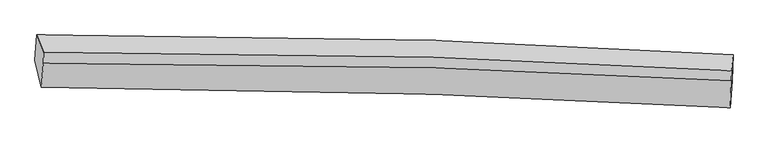
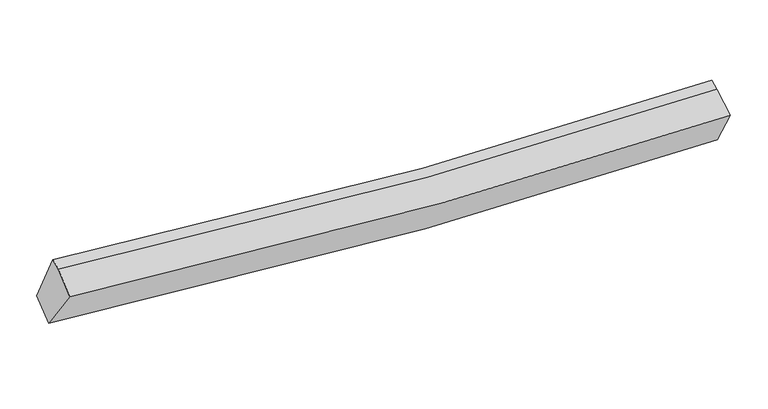
"""IFC4 building model written with IfcOpenShell, lengths in millimetres: proxy geometry."""

from ifc_helpers import new_model, si_unit, frame, origin, place, context, project, spatial, source, transform, mapped, element, save
from ifc_brep_helpers import plane_surface, spline_curve, spline_surface, advanced_brep


def generic_models_0087042e(model_context):
    return source(origin(), model_context, "Body", "AdvancedBrep", [
        advanced_brep(
        [(-4487.4021431, -1946.4193364, 2876.2268624), (-4463.1066955, -1606.9289682, 3072.7655929), (4889.5693611, -1871.4835949, 2726.6021447), (4876.8346888, -2220.6010007, 2525.9682054), (-4400.0458465, -2311.9948011, 3466.7549794), (4850.5303732, -2584.1501435, 3123.5802064), (-4374.2063694, -1988.8019715, 3673.0111605), (4864.2645394, -2225.1665182, 3290.3335131), (-4368.3675403, -1842.8815857, 3724.9548712), (4869.7266698, -2088.6603509, 3338.9260167)],
        [
            (0, 1),
            (1, 2, spline_curve(3, [(-4463.1066955, -1606.9289682, 3072.7655929), (-2696.649654421, -1594.809157674, 2836.441250479), (-929.564073551, -1617.908505746, 2697.013846737), (2188.256507379, -1720.76825855, 2622.000383288), (3538.729611989, -1785.853786536, 2646.039970763), (4889.5693611, -1871.4835949, 2726.6021447)], [4, 2, 4], [0.0, 17.449131974980528, 30.77605261638837])),
            (2, 3),
            (3, 0, spline_curve(3, [(4876.8346888, -2220.6010007, 2525.9682054), (3525.449284027, -2144.836579498, 2469.891580092), (2173.944205525, -2084.74270647, 2459.990559781), (-947.382588493, -1982.155271463, 2543.759990752), (-2717.289787477, -1950.855256476, 2670.413896496), (-4487.4021431, -1946.4193364, 2876.2268624)], [4, 2, 4], [0.0, 13.326920641407842, 30.77605261638837])),
            (4, 0),
            (3, 5),
            (5, 4, spline_curve(3, [(4850.5303732, -2584.1501435, 3123.5802064), (3512.340838783, -2509.063848943, 3067.925268855), (2175.421757576, -2449.481108383, 3057.820557419), (-909.011139446, -2347.688398107, 3139.675405065), (-2655.61746489, -2316.552691257, 3264.171706735), (-4400.0458465, -2311.9948011, 3466.7549794)], [4, 2, 4], [0.0, 13.251083479379979, 30.600920749721787])),
            (6, 4),
            (5, 7),
            (7, 6, spline_curve(3, [(4864.2645394, -2225.1665182, 3290.3335131), (3526.119268379, -2146.182850054, 3230.304399166), (2189.981921746, -2086.627503168, 3220.188771502), (-890.942651049, -1993.961578627, 3312.094546641), (-2634.29560779, -1974.728742844, 3449.769390216), (-4374.2063694, -1988.8019715, 3673.0111605)], [4, 2, 4], [0.0, 13.164121748459387, 30.40009875352045])),
            (8, 6),
            (7, 9),
            (9, 8, spline_curve(3, [(4869.7266698, -2088.6603509, 3338.9260167), (3531.539870226, -2010.714535867, 3278.527455499), (2195.402523798, -1951.159189173, 3268.411827365), (-885.426146745, -1856.096534826, 3361.170773562), (-2628.65353684, -1833.725626356, 3499.96268626), (-4368.3675403, -1842.8815857, 3724.9548712)], [4, 2, 4], [0.0, 13.157696336476576, 30.38526045571814])),
            (1, 8),
            (9, 2),
        ],
        [
            spline_surface(3, 3, [[(-4487.4021431, -1946.4193364, 2876.2268624), (-2717.289787411, -1950.855256634, 2670.413896258), (-947.382588474, -1982.155271468, 2543.759990602), (2173.944205511, -2084.742706466, 2459.990559895), (3525.44928388, -2144.836579676, 2469.891579876), (4876.8346888, -2220.6010007, 2525.9682054)], [(-4479.303660564, -1833.255880337, 2941.739772574), (-2710.409743146, -1832.173223716, 2725.75634767), (-941.443083546, -1860.739682868, 2594.844609336), (2178.714972881, -1963.417890552, 2513.993834349), (3529.876060006, -2025.175648593, 2528.607710205), (4881.079579592, -2104.228532079, 2592.846185162)], [(-4471.205178036, -1720.092424263, 3007.252682726), (-2703.52969889, -1713.491190787, 2781.098799062), (-935.503578696, -1739.324094203, 2645.929228059), (2183.485740174, -1842.093074574, 2567.997108792), (3534.302836056, -1905.514717572, 2587.323840547), (4885.324470308, -1987.856063521, 2659.724164938)], [(-4463.1066955, -1606.9289682, 3072.7655929), (-2696.649654625, -1594.809157869, 2836.441250474), (-929.564073768, -1617.908505602, 2697.013846793), (2188.256507545, -1720.76825866, 2622.000383246), (3538.729612182, -1785.853786488, 2646.039970876), (4889.5693611, -1871.4835949, 2726.6021447)]], [4, 4], [4, 2, 4], [0.0, 1.3013624053564958], [0.0, 17.449131974980528, 30.77605261638837]),
            spline_surface(3, 3, [[(-4400.0458465, -2311.9948011, 3466.7549794), (-2655.617465156, -2316.552691486, 3264.171706828), (-909.011139642, -2347.68839829, 3139.675404806), (2175.421757726, -2449.481108243, 3057.820557616), (3512.340838825, -2509.063848848, 3067.925268668), (4850.5303732, -2584.1501435, 3123.5802064)], [(-4429.164612053, -2190.136312867, 3269.912273712), (-2676.174905928, -2194.653546536, 3066.252436616), (-921.801622585, -2225.844022669, 2941.036933417), (2174.929240322, -2327.90164097, 2858.543891721), (3516.71032051, -2387.654759124, 2868.580705734), (4859.2984784, -2462.9670959, 2924.376206064)], [(-4458.283377547, -2068.277824633, 3073.069568088), (-2696.732346639, -2072.754401584, 2868.33316647), (-934.592105532, -2103.99964709, 2742.398461992), (2174.436722914, -2206.322173739, 2659.267225791), (3521.079802196, -2266.2456694, 2669.23614281), (4868.0665836, -2341.7840483, 2725.172205736)], [(-4487.4021431, -1946.4193364, 2876.2268624), (-2717.289787411, -1950.855256634, 2670.413896258), (-947.382588474, -1982.155271468, 2543.759990602), (2173.944205511, -2084.742706466, 2459.990559895), (3525.44928388, -2144.836579676, 2469.891579876), (4876.8346888, -2220.6010007, 2525.9682054)]], [4, 4], [4, 2, 4], [0.0, 2.2963859966596925], [0.0, 17.34983727034181, 30.600920749721787]),
            spline_surface(3, 3, [[(-4374.2063694, -1988.8019715, 3673.0111605), (-2634.295607578, -1974.728742769, 3449.76939031), (-890.942651166, -1993.961578383, 3312.094546638), (2189.981921836, -2086.627503354, 3220.188771505), (3526.11926836, -2146.182849934, 3230.304399359), (4864.2645394, -2225.1665182, 3290.3335131)], [(-4382.819528416, -2096.532914699, 3604.259100161), (-2641.402893419, -2088.670059007, 3387.903495843), (-896.965480675, -2111.870518339, 3254.621499363), (2185.128533782, -2207.57870497, 3166.066033544), (3521.526458511, -2267.143182912, 3176.178022465), (4859.686483996, -2344.82772664, 3234.749077537)], [(-4391.432687484, -2204.263857901, 3535.507039739), (-2648.510179314, -2202.611375248, 3326.037601295), (-902.988310134, -2229.779458335, 3197.148452082), (2180.275145779, -2328.529906627, 3111.943295577), (3516.933648674, -2388.103515869, 3122.051645561), (4855.108428604, -2464.48893506, 3179.164641963)], [(-4400.0458465, -2311.9948011, 3466.7549794), (-2655.617465156, -2316.552691486, 3264.171706828), (-909.011139642, -2347.68839829, 3139.675404806), (2175.421757726, -2449.481108243, 3057.820557616), (3512.340838825, -2509.063848848, 3067.925268668), (4850.5303732, -2584.1501435, 3123.5802064)]], [4, 4], [4, 2, 4], [0.0, 1.2964870930502679], [0.0, 17.235977005061063, 30.40009875352045]),
            spline_surface(3, 3, [[(-4368.3675403, -1842.8815857, 3724.9548712), (-2628.65353711, -1833.725626333, 3499.96268611), (-885.426146864, -1856.096534821, 3361.170773435), (2195.402523889, -1951.159189177, 3268.411827463), (3531.539870313, -2010.714535756, 3278.527455317), (4869.7266698, -2088.6603509, 3338.9260167)], [(-4370.31381667, -1891.521714294, 3707.640300946), (-2630.534227269, -1880.726665139, 3483.231587489), (-887.264981617, -1902.051549357, 3344.812031163), (2193.595656551, -1996.315293918, 3252.337475471), (3529.733002976, -2055.870640497, 3262.453103325), (4867.905959647, -2134.162406682, 3322.728515494)], [(-4372.26009303, -1940.161842906, 3690.325730754), (-2632.414917418, -1927.727703963, 3466.500488931), (-889.103816413, -1948.006563847, 3328.453288909), (2191.788789173, -2041.471398614, 3236.263123496), (3527.926135697, -2101.026745193, 3246.37875135), (4866.085249553, -2179.664462418, 3306.531014306)], [(-4374.2063694, -1988.8019715, 3673.0111605), (-2634.295607578, -1974.728742769, 3449.76939031), (-890.942651166, -1993.961578383, 3312.094546638), (2189.981921836, -2086.627503354, 3220.188771505), (3526.11926836, -2146.182849934, 3230.304399359), (4864.2645394, -2225.1665182, 3290.3335131)]], [4, 4], [4, 2, 4], [0.0, 0.47765946216656296], [0.0, 17.227564119241563, 30.38526045571814]),
            spline_surface(3, 3, [[(-4463.1066955, -1606.9289682, 3072.7655929), (-2696.649654625, -1594.809157869, 2836.441250474), (-929.564073768, -1617.908505602, 2697.013846793), (2188.256507545, -1720.76825866, 2622.000383246), (3538.729612182, -1785.853786488, 2646.039970876), (4889.5693611, -1871.4835949, 2726.6021447)], [(-4431.526977097, -1685.579840702, 3290.162019008), (-2673.984282117, -1674.447980693, 3057.615062361), (-914.851431491, -1697.304515333, 2918.399488995), (2190.638512968, -1797.565235491, 2837.470864639), (3536.333031558, -1860.807369576, 2856.869132366), (4882.955130665, -1943.875846899, 2930.710102043)], [(-4399.947258703, -1764.230713198, 3507.558445092), (-2651.318909618, -1754.086803509, 3278.788874223), (-900.13878914, -1776.70052509, 3139.785131232), (2193.020518465, -1874.362212347, 3052.941346069), (3533.936450937, -1935.760952668, 3067.698293827), (4876.340900235, -2016.268098901, 3134.818059357)], [(-4368.3675403, -1842.8815857, 3724.9548712), (-2628.65353711, -1833.725626333, 3499.96268611), (-885.426146864, -1856.096534821, 3361.170773435), (2195.402523889, -1951.159189177, 3268.411827463), (3531.539870313, -2010.714535756, 3278.527455317), (4869.7266698, -2088.6603509, 3338.9260167)]], [4, 4], [4, 2, 4], [0.0, 2.292324050026364], [0.0, 17.33461166694985, 30.574066464260532]),
            plane_surface(frame((4870.1851264, -2198.0123216, 3001.0820172), z_axis=(0.9988238434538876, -0.045716699423446014, 0.01615280600484841), x_axis=(-0.03467687193500882, -0.9063840504998226, -0.42102905784795674))),
            plane_surface(frame((-4418.625719, -1939.4053325, 3362.7426933), z_axis=(-0.9900826323837456, -0.01025881596523117, 0.14011116210732383), x_axis=(-0.061815984601761735, -0.863780396661623, -0.500062206521153))),
        ],
        [
            (0, [[1, 2, 3, 4]]),
            (1, [[5, -4, 6, 7]]),
            (2, [[8, -7, 9, 10]]),
            (3, [[11, -10, 12, 13]]),
            (4, [[14, -13, 15, -2]]),
            (5, [[-9, -6, -3, -15, -12]]),
            (6, [[-1, -5, -8, -11, -14]]),
        ],
    ),
    ])


if __name__ == "__main__":
    model = new_model("IFC4")
    model_context = context("Model", 3, world=origin())
    ifc_project = project(units=[si_unit("LENGTHUNIT", "METRE", prefix="MILLI")], contexts=[model_context])
    site = spatial("IfcSite", under=ifc_project)
    building = spatial("IfcBuilding", under=site)
    placement = place(None, origin())
    generic_models_shape = generic_models_0087042e(model_context)
    element("IfcBuildingElementProxy", 1, Name="Generic Models", at=placement, inside=building, context=model_context, shape_type="MappedRepresentation", body=[
        mapped(generic_models_shape, transform((0.0, 0.0, 0.0), x_axis=(1.0, 0.0, 0.0), y_axis=(0.0, 1.0, 0.0), z_axis=(0.0, 0.0, 1.0))),
    ])
    save(model, "model.ifc")
